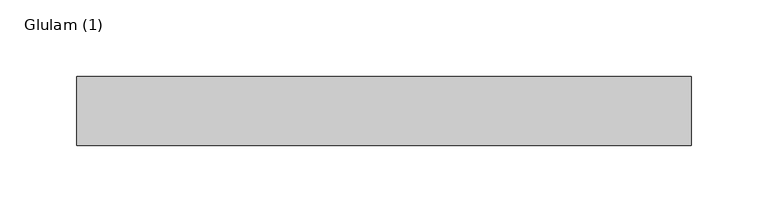
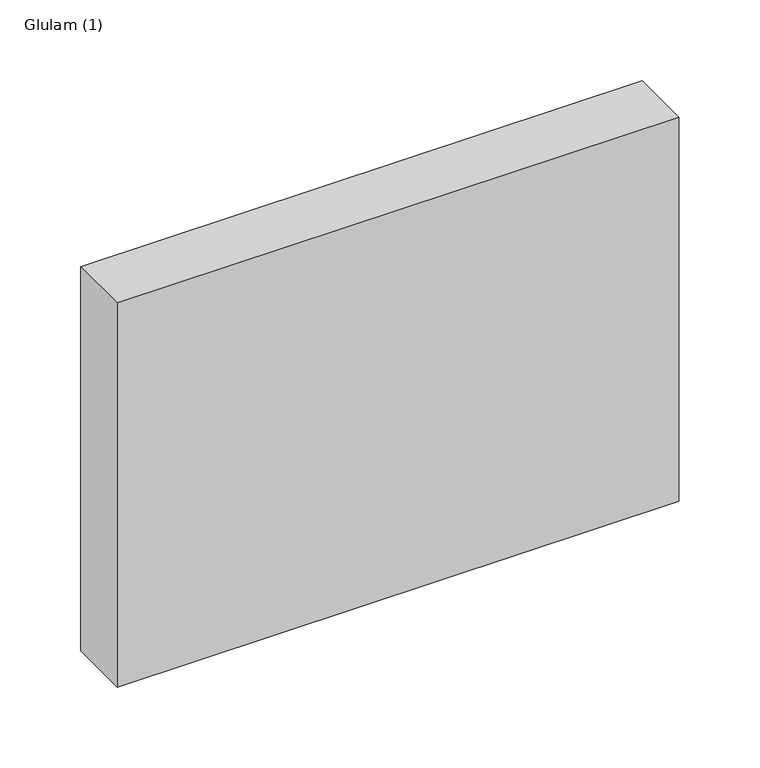
"""IFC4 building model written with IfcOpenShell, lengths in millimetres: beam geometry, Glulam (1)."""

from ifc_helpers import new_model, si_unit, frame, origin, place, context, project, spatial, polyline, outline, extrude, source, transform, mapped, element, save


def glulam_1_eec1226e(model_context):
    return source(origin(), model_context, "Body", "SweptSolid", [
        extrude(outline(polyline([(200.5, 22.5), (200.5, -22.5), (-200.5, -22.5), (-200.5, 22.5), (200.5, 22.5)])), frame((0.0, 0.0, -145.0), z_axis=(0.0, 0.0, 1.0), x_axis=(1.0, 0.0, 0.0)), (0.0, 0.0, 1.0), 290.0),
    ])


if __name__ == "__main__":
    model = new_model("IFC4")
    model_context = context("Model", 3, world=origin())
    ifc_project = project(units=[si_unit("LENGTHUNIT", "METRE", prefix="MILLI")], contexts=[model_context])
    site = spatial("IfcSite", under=ifc_project)
    building = spatial("IfcBuilding", under=site)
    placement = place(None, origin())
    glulam_1_shape = glulam_1_eec1226e(model_context)
    element("IfcBeam", 1, ObjectType="Glulam (1)", at=placement, inside=building, context=model_context, shape_type="MappedRepresentation", body=[
        mapped(glulam_1_shape, transform((0.0, 0.0, 0.0), x_axis=(1.0, 0.0, 0.0), y_axis=(0.0, 1.0, 0.0), z_axis=(0.0, 0.0, 1.0))),
    ])
    save(model, "model.ifc")
